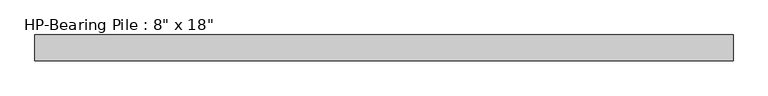
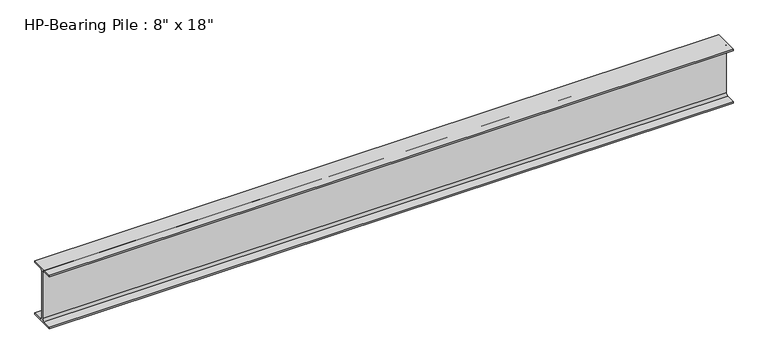
"""IFC4 building model written with IfcOpenShell, lengths in millimetres: beam geometry."""

from ifc_helpers import new_model, si_unit, point, frame, frame_2d, origin, place, context, project, spatial, polyline, circle_curve, trimmed, segment, composite_curve, outline, extrude, source, transform, mapped, element, save


def beam_e5694be3(model_context):
    return source(origin(), model_context, "Body", "SweptSolid", [
        extrude(outline(composite_curve([segment(polyline([(101.6, -215.503125), (101.6, -228.6), (-101.6, -228.6), (-101.6, -215.503125), (-25.2015625, -215.503125)]), True, "CONTINUOUS"), segment(trimmed(circle_curve(frame_2d((-25.2015625, -196.85)), 18.653125), [point((-25.2015625, -215.503125))], [point((-6.5484375, -196.85))], True, "CARTESIAN"), True, "CONTINUOUS"), segment(polyline([(-6.5484375, -196.85), (-6.5484375, 196.85)]), True, "CONTINUOUS"), segment(trimmed(circle_curve(frame_2d((-25.2015625, 196.85)), 18.653125), [point((-6.5484375, 196.85))], [point((-25.2015625, 215.503125))], True, "CARTESIAN"), True, "CONTINUOUS"), segment(polyline([(-25.2015625, 215.503125), (-101.6, 215.503125), (-101.6, 228.6), (101.6, 228.6), (101.6, 215.503125), (25.2015625, 215.503125)]), True, "CONTINUOUS"), segment(trimmed(circle_curve(frame_2d((25.2015625, 196.85)), 18.653125), [point((25.2015625, 215.503125))], [point((6.5484375, 196.85))], True, "CARTESIAN"), True, "CONTINUOUS"), segment(polyline([(6.5484375, 196.85), (6.5484375, -196.85)]), True, "CONTINUOUS"), segment(trimmed(circle_curve(frame_2d((25.2015625, -196.85)), 18.653125), [point((6.5484375, -196.85))], [point((25.2015625, -215.503125))], True, "CARTESIAN"), True, "CONTINUOUS"), segment(polyline([(25.2015625, -215.503125), (101.6, -215.503125)]), True, "CONTINUOUS")], self_intersect=False)), frame((-2753.6292733, 0.0, 0.0), z_axis=(1.0, 0.0, 0.0), x_axis=(0.0, 1.0, 0.0)), (0.0, 0.0, 1.0), 5507.2585465),
    ])


if __name__ == "__main__":
    model = new_model("IFC4")
    model_context = context("Model", 3, world=origin())
    ifc_project = project(units=[si_unit("LENGTHUNIT", "METRE", prefix="MILLI")], contexts=[model_context])
    site = spatial("IfcSite", under=ifc_project)
    building = spatial("IfcBuilding", under=site)
    placement = place(None, origin())
    beam_shape = beam_e5694be3(model_context)
    element("IfcBeam", 1, ObjectType="HP-Bearing Pile : 8\" x 18\"", at=placement, inside=building, context=model_context, shape_type="MappedRepresentation", body=[
        mapped(beam_shape, transform((0.0, 0.0, 0.0), x_axis=(1.0, 0.0, 0.0), y_axis=(0.0, 1.0, 0.0), z_axis=(0.0, 0.0, 1.0))),
    ])
    save(model, "model.ifc")
